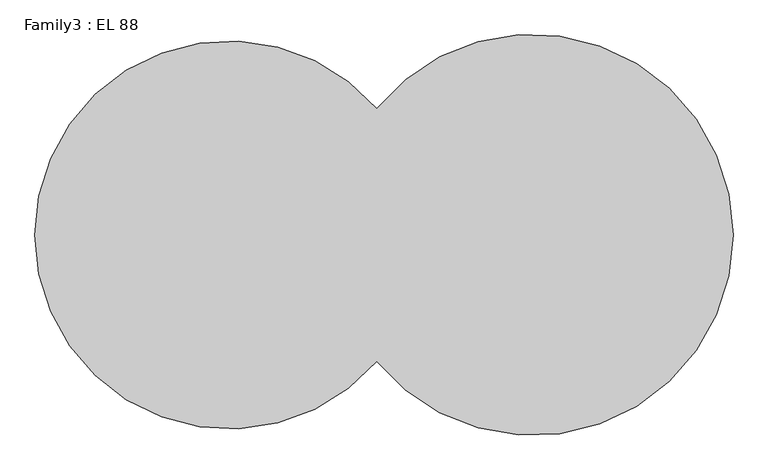
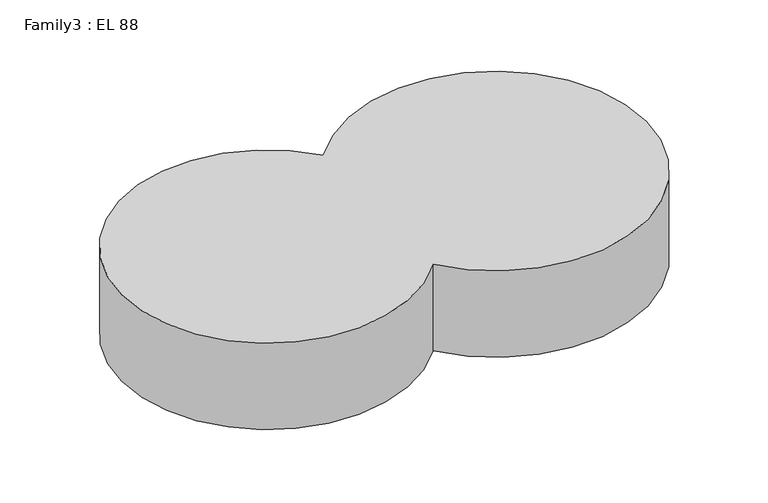
"""IFC4 building model written with IfcOpenShell, lengths in millimetres: proxy geometry, Family3 : EL 88."""

from ifc_helpers import new_model, si_unit, point, frame_2d, origin, origin_with_axes, place, context, project, spatial, circle_curve, trimmed, segment, composite_curve, outline, extrude, source, transform, mapped, element, save


def family3_el_88_ab024518(model_context):
    return source(origin(), model_context, "Body", "SweptSolid", [
        extrude(outline(composite_curve([segment(trimmed(circle_curve(frame_2d((-399.6146063, -41.3679438)), 398.9994038), [point((-96.9588212, -301.3679438))], [point((-96.9588212, 218.6320562))], False, "CARTESIAN"), True, "CONTINUOUS"), segment(trimmed(circle_curve(frame_2d((223.0461088, -41.3679438)), 412.3143888), [point((-96.9588212, 218.6320562))], [point((-96.9588212, -301.3679438))], False, "CARTESIAN"), True, "CONTINUOUS")], self_intersect=False)), origin_with_axes(), (0.0, 0.0, 1.0), 250.0),
    ])


if __name__ == "__main__":
    model = new_model("IFC4")
    model_context = context("Model", 3, world=origin())
    ifc_project = project(units=[si_unit("LENGTHUNIT", "METRE", prefix="MILLI")], contexts=[model_context])
    site = spatial("IfcSite", under=ifc_project)
    building = spatial("IfcBuilding", under=site)
    placement = place(None, origin())
    family3_el_88_shape = family3_el_88_ab024518(model_context)
    element("IfcBuildingElementProxy", 1, Name="Family3 : EL 88", ObjectType="Family3 : EL 88", at=placement, inside=building, context=model_context, shape_type="MappedRepresentation", body=[
        mapped(family3_el_88_shape, transform((0.0, 0.0, 0.0), x_axis=(1.0, 0.0, 0.0), y_axis=(0.0, 1.0, 0.0), z_axis=(0.0, 0.0, 1.0))),
    ])
    save(model, "model.ifc")
